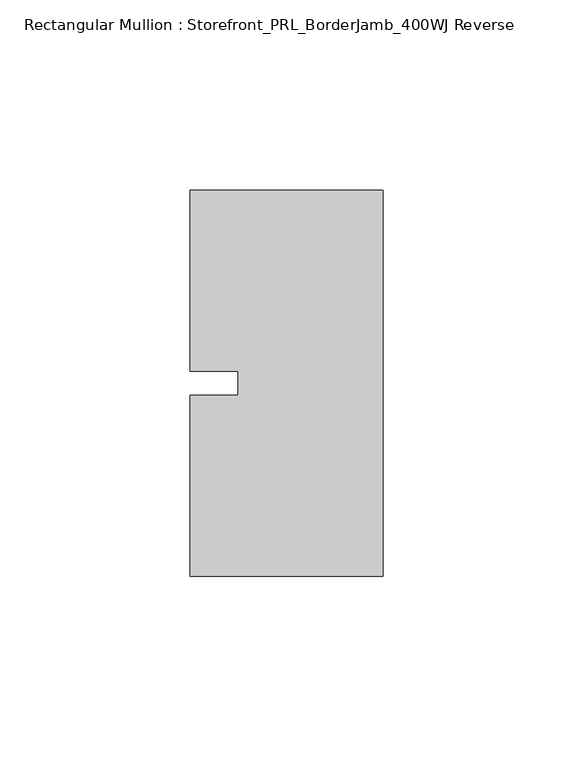
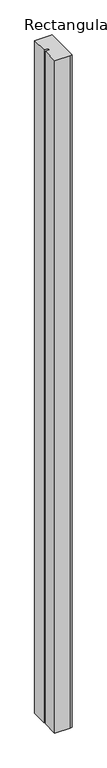
"""IFC4 building model written with IfcOpenShell, lengths in millimetres: member geometry, Rectangular Mullion : Storefront_PRL_BorderJamb_400WJ Reverse."""

from ifc_helpers import new_model, si_unit, frame, origin, place, context, project, spatial, polyline, outline, extrude, source, transform, mapped, element, save


def rectangular_mullion_storefront_prl_borderjamb_400wj_reverse_33240d20(model_context):
    return source(origin(), model_context, "Body", "SweptSolid", [
        extrude(outline(polyline([(-38.1, -3.175), (-38.1, 3.175), (-50.8, 3.175), (-50.8, 50.8), (-7.3958824, 50.8), (0.0, 50.8), (0.0, -50.8), (-6.35, -50.8), (-50.8, -50.8), (-50.8, -3.175), (-38.1, -3.175)])), frame((0.0, 0.0, -2082.8), z_axis=(0.0, 0.0, 1.0), x_axis=(1.0, 0.0, 0.0)), (0.0, 0.0, 1.0), 2082.8),
    ])


if __name__ == "__main__":
    model = new_model("IFC4")
    model_context = context("Model", 3, world=origin())
    ifc_project = project(units=[si_unit("LENGTHUNIT", "METRE", prefix="MILLI")], contexts=[model_context])
    site = spatial("IfcSite", under=ifc_project)
    building = spatial("IfcBuilding", under=site)
    placement = place(None, origin())
    rectangular_mullion_storefront_prl_borderjamb_400wj_reverse_shape = rectangular_mullion_storefront_prl_borderjamb_400wj_reverse_33240d20(model_context)
    element("IfcMember", 1, ObjectType="Rectangular Mullion : Storefront_PRL_BorderJamb_400WJ Reverse", at=placement, inside=building, context=model_context, shape_type="MappedRepresentation", body=[
        mapped(rectangular_mullion_storefront_prl_borderjamb_400wj_reverse_shape, transform((0.0, 0.0, 0.0), x_axis=(1.0, 0.0, 0.0), y_axis=(0.0, 1.0, 0.0), z_axis=(0.0, 0.0, 1.0))),
    ])
    save(model, "model.ifc")
